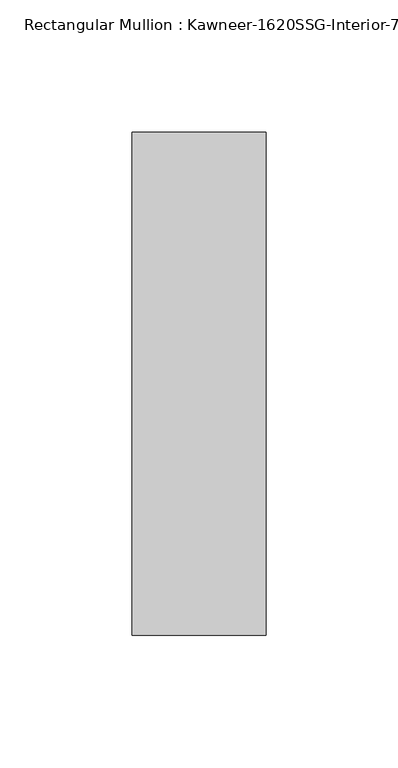
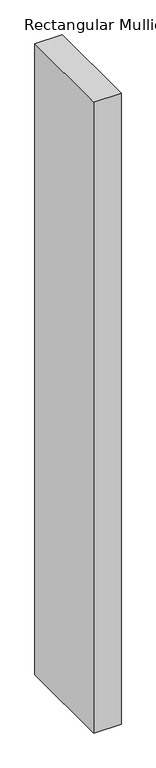
"""IFC4 building model written with IfcOpenShell, lengths in millimetres: member geometry."""

from ifc_helpers import new_model, si_unit, frame, origin, place, context, project, spatial, polyline, outline, extrude, source, transform, mapped, element, save


def member_5d5344fd(model_context):
    return source(origin(), model_context, "Body", "SweptSolid", [
        extrude(outline(polyline([(25.4, -161.925), (-25.4, -161.925), (-25.4, 28.575), (25.4, 28.575), (25.4, -161.925)])), frame((0.0, 0.0, -1244.3591529), z_axis=(0.0, 0.0, 1.0), x_axis=(1.0, 0.0, 0.0)), (0.0, 0.0, 1.0), 1244.3591529),
    ])


if __name__ == "__main__":
    model = new_model("IFC4")
    model_context = context("Model", 3, world=origin())
    ifc_project = project(units=[si_unit("LENGTHUNIT", "METRE", prefix="MILLI")], contexts=[model_context])
    site = spatial("IfcSite", under=ifc_project)
    building = spatial("IfcBuilding", under=site)
    placement = place(None, origin())
    member_shape = member_5d5344fd(model_context)
    element("IfcMember", 1, ObjectType="Rectangular Mullion : Kawneer-1620SSG-Interior-7.5\"-1/4\"Infill", at=placement, inside=building, context=model_context, shape_type="MappedRepresentation", body=[
        mapped(member_shape, transform((0.0, 0.0, 0.0), x_axis=(1.0, 0.0, 0.0), y_axis=(0.0, 1.0, 0.0), z_axis=(0.0, 0.0, 1.0))),
    ])
    save(model, "model.ifc")
